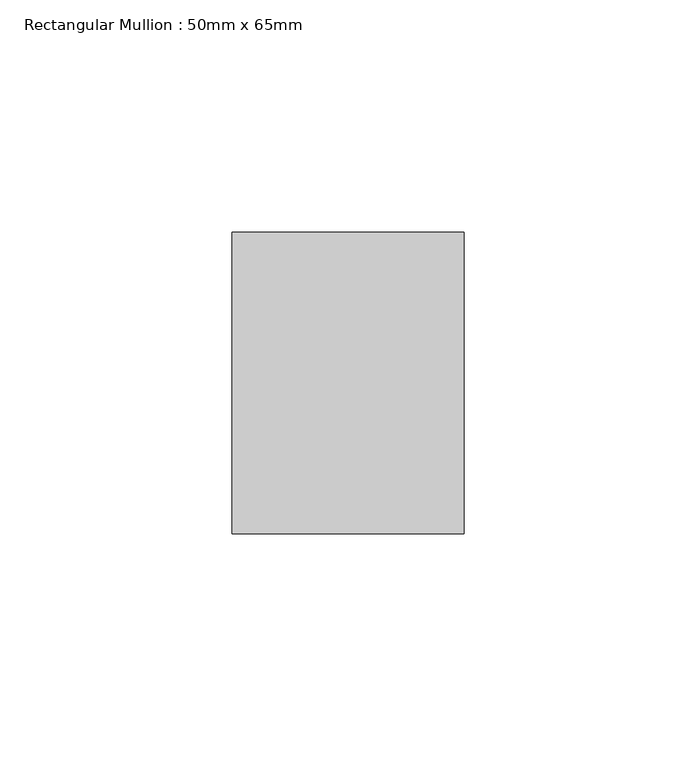
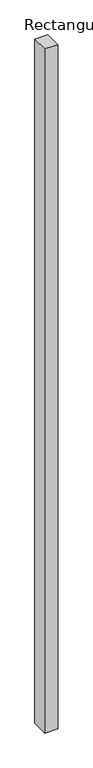
"""IFC4 building model written with IfcOpenShell, lengths in millimetres: member geometry, Rectangular Mullion : 50mm x 65mm."""

from ifc_helpers import new_model, si_unit, frame, origin, place, context, project, spatial, polyline, outline, extrude, source, transform, mapped, element, save


def rectangular_mullion_50mm_x_65mm_12bb4442(model_context):
    return source(origin(), model_context, "Body", "SweptSolid", [
        extrude(outline(polyline([(25.0, 32.5), (25.0, -32.5), (-25.0, -32.5), (-25.0, 32.5), (25.0, 32.5)])), frame((0.0, 0.0, -2773.891615), z_axis=(0.0, 0.0, 1.0), x_axis=(1.0, 0.0, 0.0)), (0.0, 0.0, 1.0), 2773.891615),
    ])


if __name__ == "__main__":
    model = new_model("IFC4")
    model_context = context("Model", 3, world=origin())
    ifc_project = project(units=[si_unit("LENGTHUNIT", "METRE", prefix="MILLI")], contexts=[model_context])
    site = spatial("IfcSite", under=ifc_project)
    building = spatial("IfcBuilding", under=site)
    placement = place(None, origin())
    rectangular_mullion_50mm_x_65mm_shape = rectangular_mullion_50mm_x_65mm_12bb4442(model_context)
    element("IfcMember", 1, ObjectType="Rectangular Mullion : 50mm x 65mm", at=placement, inside=building, context=model_context, shape_type="MappedRepresentation", body=[
        mapped(rectangular_mullion_50mm_x_65mm_shape, transform((0.0, 0.0, 0.0), x_axis=(1.0, 0.0, 0.0), y_axis=(0.0, 1.0, 0.0), z_axis=(0.0, 0.0, 1.0))),
    ])
    save(model, "model.ifc")
